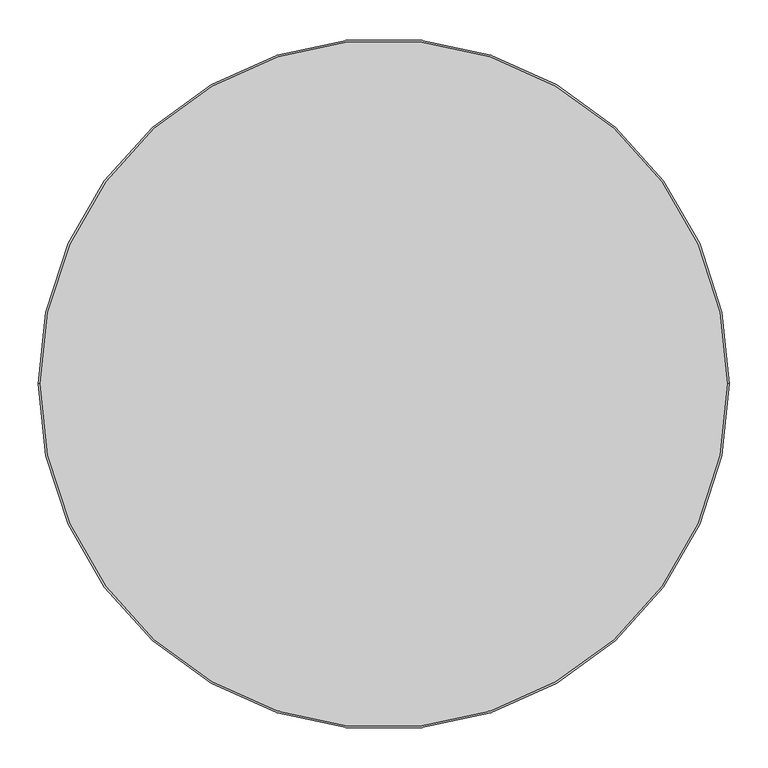
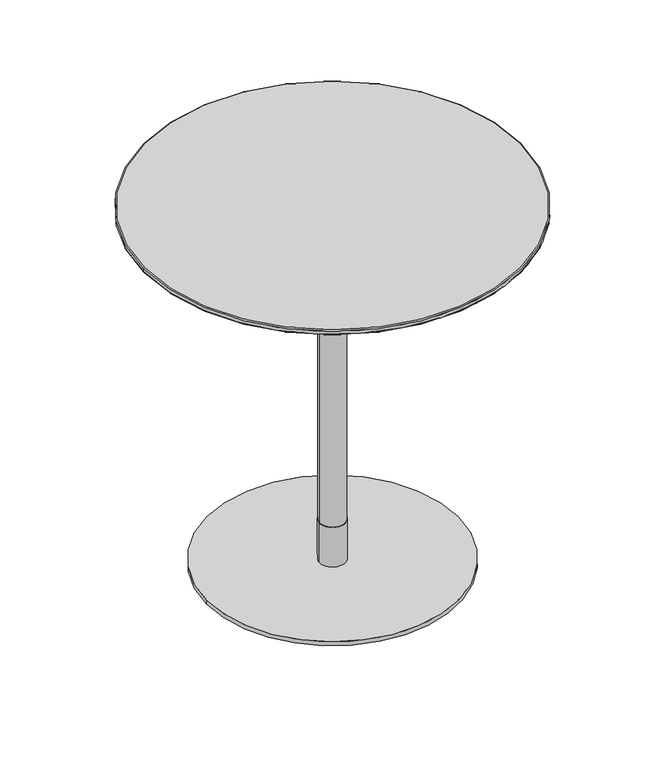
"""IFC4 building model written with IfcOpenShell, lengths in millimetres: furniture geometry."""

from ifc_helpers import new_model, si_unit, point, frame, origin, origin_with_axes, origin_2d, place, context, project, spatial, polyline, circle_curve, ellipse_curve, trimmed, segment, composite_curve, outline, extrude, source, transform, mapped, element, save
from ifc_brep_helpers import plane_surface, cylinder_surface, revolved_surface, advanced_brep


def furniture_5f8d7f04(model_context):
    return source(origin(), model_context, "Body", "SolidModel", [
        advanced_brep(
        [(448.6840403, 0.0, 888.2400004), (450.0, 0.0, 890.1193857), (-450.0, 0.0, 890.1193857), (-448.6840403, 0.0, 888.2400004), (450.0, 0.0, 898.0), (448.0, 0.0, 900.0), (-448.0, 0.0, 900.0), (-450.0, 0.0, 898.0)],
        [
            (0, 1, circle_curve(frame((448.0, 0.0, 890.1193857), z_axis=(0.0, -1.0, 0.0), x_axis=(-1.0, 0.0, 0.0)), 2.0)),
            (1, 2, circle_curve(frame((0.0, 0.0, 890.1193857), z_axis=(0.0, 0.0, -1.0), x_axis=(-1.0, 0.0, 0.0)), 450.0)),
            (2, 3, circle_curve(frame((-448.0, 0.0, 890.1193857), z_axis=(0.0, -1.0, 0.0), x_axis=(1.0, 0.0, 0.0)), 2.0)),
            (3, 0, circle_curve(frame((0.0, 0.0, 888.2400004), z_axis=(0.0, 0.0, 1.0), x_axis=(-1.0, 0.0, 0.0)), 448.6840403)),
            (4, 5, circle_curve(frame((448.0, 0.0, 898.0), z_axis=(0.0, -1.0, 0.0), x_axis=(-1.0, 0.0, 0.0)), 2.0)),
            (5, 6, circle_curve(frame((0.0, 0.0, 900.0), z_axis=(0.0, 0.0, -1.0), x_axis=(-1.0, 0.0, 0.0)), 448.0)),
            (6, 7, circle_curve(frame((-448.0, 0.0, 898.0), z_axis=(0.0, -1.0, 0.0), x_axis=(1.0, 0.0, 0.0)), 2.0)),
            (7, 4, circle_curve(frame((0.0, 0.0, 898.0), z_axis=(0.0, 0.0, 1.0), x_axis=(-1.0, 0.0, 0.0)), 450.0)),
            (0, 3, circle_curve(frame((0.0, 0.0, 888.2400004), z_axis=(0.0, 0.0, 1.0), x_axis=(1.0, 0.0, 0.0)), 448.6840403)),
            (2, 1, circle_curve(frame((0.0, 0.0, 890.1193857), z_axis=(0.0, 0.0, -1.0), x_axis=(1.0, 0.0, 0.0)), 450.0)),
            (4, 7, circle_curve(frame((0.0, 0.0, 898.0), z_axis=(0.0, 0.0, 1.0), x_axis=(1.0, 0.0, 0.0)), 450.0)),
            (6, 5, circle_curve(frame((0.0, 0.0, 900.0), z_axis=(0.0, 0.0, -1.0), x_axis=(1.0, 0.0, 0.0)), 448.0)),
            (7, 2),
            (1, 4),
        ],
        [
            revolved_surface(trimmed(ellipse_curve(frame((-448.0, 0.0, 890.1193857), z_axis=(0.0, 1.0, 0.0), x_axis=(1.0, 0.0, 0.0)), 2.0, 2.0), [point((-448.6840403, 0.0, 888.2400004))], [point((-450.0, 0.0, 890.1193857))], True, "CARTESIAN"), (0.0, 0.0, 0.0), (0.0, 0.0, 1.0)),
            revolved_surface(trimmed(ellipse_curve(frame((-448.0, 0.0, 898.0), z_axis=(0.0, 1.0, 0.0), x_axis=(1.0, 0.0, 0.0)), 2.0, 2.0), [point((-450.0, 0.0, 898.0))], [point((-448.0, 0.0, 900.0))], True, "CARTESIAN"), (0.0, 0.0, 0.0), (0.0, 0.0, 1.0)),
            revolved_surface(trimmed(ellipse_curve(frame((448.0, 0.0, 890.1193857), z_axis=(0.0, -1.0, 0.0), x_axis=(-1.0, 0.0, 0.0)), 2.0, 2.0), [point((448.6840403, 0.0, 888.2400004))], [point((450.0, 0.0, 890.1193857))], True, "CARTESIAN"), (0.0, 0.0, 0.0), (0.0, 0.0, 1.0)),
            revolved_surface(trimmed(ellipse_curve(frame((448.0, 0.0, 898.0), z_axis=(0.0, -1.0, 0.0), x_axis=(-1.0, 0.0, 0.0)), 2.0, 2.0), [point((450.0, 0.0, 898.0))], [point((448.0, 0.0, 900.0))], True, "CARTESIAN"), (0.0, 0.0, 0.0), (0.0, 0.0, 1.0)),
            plane_surface(frame((450.0, 0.0, 900.0), z_axis=(0.0, 0.0, 1.0), x_axis=(0.0, 1.0, 0.0))),
            plane_surface(frame((450.0, 0.0, 888.2400004), z_axis=(0.0, 0.0, -1.0), x_axis=(0.0, -1.0, 0.0))),
            cylinder_surface(frame((0.0, 0.0, 888.2400004), z_axis=(0.0, 0.0, 1.0), x_axis=(1.0, 0.0, 0.0)), 450.0),
        ],
        [
            (0, [[1, 2, 3, 4]]),
            (1, [[5, 6, 7, 8]]),
            (2, [[-1, 9, -3, 10]]),
            (3, [[-5, 11, -7, 12]]),
            (4, [[-6, -12]]),
            (5, [[-4, -9]]),
            (6, [[13, -2, 14, -8]]),
            (6, [[-13, -11, -14, -10]]),
        ],
    ),
        advanced_brep(
        [(-448.6840403, 0.0, 888.2400004), (448.6840403, 0.0, 888.2400004), (-400.0, 0.0, 877.7932619), (400.0, 0.0, 877.7932619)],
        [
            (0, 1, circle_curve(frame((0.0, 0.0, 888.2400004), z_axis=(0.0, 0.0, 1.0), x_axis=(-1.0, 0.0, 0.0)), 448.6840403)),
            (1, 0, circle_curve(frame((0.0, 0.0, 888.2400004), z_axis=(0.0, 0.0, 1.0), x_axis=(1.0, 0.0, 0.0)), 448.6840403)),
            (2, 3, circle_curve(frame((0.0, 0.0, 877.7932619), z_axis=(0.0, 0.0, -1.0), x_axis=(1.0, 0.0, 0.0)), 400.0)),
            (3, 2, circle_curve(frame((0.0, 0.0, 877.7932619), z_axis=(0.0, 0.0, -1.0), x_axis=(-1.0, 0.0, 0.0)), 400.0)),
            (3, 1),
            (0, 2),
        ],
        [
            plane_surface(frame((0.0, 0.0, 888.2400004), z_axis=(0.0, 0.0, 1.0), x_axis=(0.0, -1.0, 0.0))),
            plane_surface(frame((0.0, 0.0, 877.7932619), z_axis=(0.0, 0.0, -1.0), x_axis=(0.0, -1.0, 0.0))),
            revolved_surface(polyline([(399.9999999045817, 0.0, 877.7932619), (448.6840403, 0.0, 888.2400004)]), (0.0, 0.0, 791.9602997), (0.0, 0.0, 1.0)),
            revolved_surface(polyline([(-399.9999999045817, 0.0, 877.7932619), (-448.6840403, 0.0, 888.2400004)]), (0.0, 0.0, 791.9602997), (0.0, 0.0, 1.0)),
        ],
        [
            (0, [[1, 2]]),
            (1, [[3, 4]]),
            (2, [[-4, 5, -1, 6]]),
            (3, [[-3, -6, -2, -5]]),
        ],
    ),
        extrude(outline(polyline([(175.0000945, 174.9403258), (175.0000945, -175.0598632), (-175.0000945, -175.0598632), (-175.0000945, 174.9403258), (175.0000945, 174.9403258)])), frame((0.0, 0.0, 872.7932592), z_axis=(0.0, 0.0, 1.0), x_axis=(1.0, 0.0, 0.0)), (0.0, 0.0, 1.0), 5.0000027),
        extrude(outline(composite_curve([segment(trimmed(circle_curve(origin_2d(), 31.0), [point((-31.0, 0.0))], [point((31.0, 0.0))], False, "CARTESIAN"), True, "CONTINUOUS"), segment(trimmed(circle_curve(origin_2d(), 31.0), [point((31.0, 0.0))], [point((-31.0, 0.0))], False, "CARTESIAN"), True, "CONTINUOUS")], self_intersect=False)), frame((0.0, 0.0, 772.7932663), z_axis=(0.0, 0.0, 1.0), x_axis=(1.0, 0.0, 0.0)), (0.0, 0.0, 1.0), 99.999993),
        extrude(outline(composite_curve([segment(trimmed(circle_curve(origin_2d(), 30.0), [point((-30.0, 0.0))], [point((30.0, 0.0))], False, "CARTESIAN"), True, "CONTINUOUS"), segment(trimmed(circle_curve(origin_2d(), 30.0), [point((30.0, 0.0))], [point((-30.0, 0.0))], False, "CARTESIAN"), True, "CONTINUOUS")], self_intersect=False)), frame((0.0, 0.0, 110.0016526), z_axis=(0.0, 0.0, 1.0), x_axis=(1.0, 0.0, 0.0)), (0.0, 0.0, 1.0), 662.7916137),
        extrude(outline(composite_curve([segment(trimmed(circle_curve(origin_2d(), 31.0), [point((-31.0, 0.0))], [point((31.0, 0.0))], False, "CARTESIAN"), True, "CONTINUOUS"), segment(trimmed(circle_curve(origin_2d(), 31.0), [point((31.0, 0.0))], [point((-31.0, 0.0))], False, "CARTESIAN"), True, "CONTINUOUS")], self_intersect=False)), frame((0.0, 0.0, 10.0000044), z_axis=(0.0, 0.0, 1.0), x_axis=(1.0, 0.0, 0.0)), (0.0, 0.0, 1.0), 100.0016481),
        extrude(outline(composite_curve([segment(trimmed(circle_curve(origin_2d(), 300.0), [point((-300.0, 0.0))], [point((300.0, 0.0))], False, "CARTESIAN"), True, "CONTINUOUS"), segment(trimmed(circle_curve(origin_2d(), 300.0), [point((300.0, 0.0))], [point((-300.0, 0.0))], False, "CARTESIAN"), True, "CONTINUOUS")], self_intersect=False)), origin_with_axes(), (0.0, 0.0, 1.0), 10.0000044),
    ])


if __name__ == "__main__":
    model = new_model("IFC4")
    model_context = context("Model", 3, world=origin())
    ifc_project = project(units=[si_unit("LENGTHUNIT", "METRE", prefix="MILLI")], contexts=[model_context])
    site = spatial("IfcSite", under=ifc_project)
    building = spatial("IfcBuilding", under=site)
    placement = place(None, origin())
    furniture_shape = furniture_5f8d7f04(model_context)
    element("IfcFurniture", 1, at=placement, inside=building, context=model_context, shape_type="MappedRepresentation", body=[
        mapped(furniture_shape, transform((0.0, 0.0, 0.0), x_axis=(1.0, 0.0, 0.0), y_axis=(0.0, 1.0, 0.0), z_axis=(0.0, 0.0, 1.0))),
    ])
    save(model, "model.ifc")
